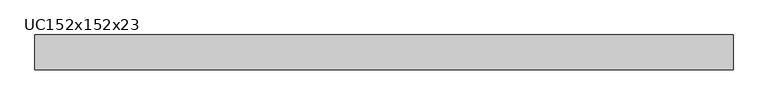
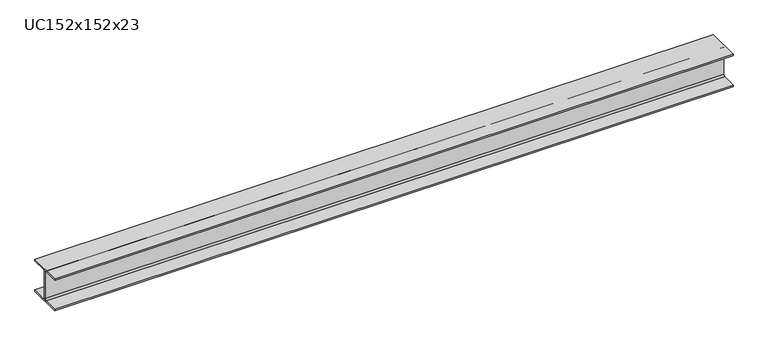
"""IFC4 building model written with IfcOpenShell, lengths in millimetres: beam geometry, UC152x152x23."""

import ifcopenshell
import ifcopenshell.guid

model = None  # the IFC model being written
_history = None  # IfcOwnerHistory: only IFC2X3 demands one
_inside = {}  # id of a spatial element -> (the spatial element, [elements in it])
_under = {}  # id of a project, library or spatial element -> (it, [spatial elements below it])
_declared = {}  # id of a project -> (the project, [libraries it declares])
_typed = {}  # id of a type object -> (the type object, [elements of that type])
_made_of = {}  # id of a material, layer set ... -> (it, [elements and type objects made of it])


def new_model(schema):
    """Start an empty IFC model of exactly this schema.

    Asked for "IFC4X3", IfcOpenShell would pick the latest addendum, in which some entities
    have other attributes; the version numbers below select the first issue.
    IFC2X3 requires an IfcOwnerHistory on every rooted entity: one is made here for all.
    """
    global model, _history
    if schema == "IFC4X3":
        model = ifcopenshell.file(schema_version=(4, 3, 0, 0))
    else:
        model = ifcopenshell.file(schema=schema)
    _inside.clear()
    _under.clear()
    _declared.clear()
    _typed.clear()
    _made_of.clear()
    _history = None
    if model.schema == "IFC2X3":
        org = make("IfcOrganization", Name="unknown")
        user = make(
            "IfcPersonAndOrganization",
            ThePerson=make("IfcPerson", FamilyName="unknown"),
            TheOrganization=org,
        )
        app = make(
            "IfcApplication",
            ApplicationDeveloper=org,
            Version="unknown",
            ApplicationFullName="unknown",
            ApplicationIdentifier="unknown",
        )
        _history = make(
            "IfcOwnerHistory",
            OwningUser=user,
            OwningApplication=app,
            ChangeAction="ADDED",
            CreationDate=0,
        )
    return model


def make(cls, **values):
    """One entity of the class cls with the attributes given. An attribute that is None is left unset."""
    return model.create_entity(
        cls, **{name: value for name, value in values.items() if value is not None}
    )


def rooted(cls, **values):
    """An entity with a GlobalId (a new one), such as an element, a storey or a relation."""
    return make(cls, GlobalId=ifcopenshell.guid.new(), OwnerHistory=_history, **values)


def si_unit(unit_type, name, prefix=None):
    """IfcSIUnit, for example si_unit("LENGTHUNIT", "METRE", prefix="MILLI")."""
    return make("IfcSIUnit", UnitType=unit_type, Prefix=prefix, Name=name)


def assignment(units):
    """IfcUnitAssignment: the units of a project."""
    return None if units is None else make("IfcUnitAssignment", Units=units)


def point(xyz):
    """IfcCartesianPoint."""
    return None if xyz is None else make("IfcCartesianPoint", Coordinates=xyz)


def direction(xyz):
    """IfcDirection."""
    return None if xyz is None else make("IfcDirection", DirectionRatios=xyz)


def frame(location, z_axis=None, x_axis=None):
    """IfcAxis2Placement3D, a coordinate frame: its origin and axes. An axis left out is left unset."""
    return make(
        "IfcAxis2Placement3D",
        Location=point(location),
        Axis=direction(z_axis),
        RefDirection=direction(x_axis),
    )


def frame_2d(location, x_axis=None):
    """IfcAxis2Placement2D, a coordinate frame in the plane: its origin and x axis."""
    return make(
        "IfcAxis2Placement2D", Location=point(location), RefDirection=direction(x_axis)
    )


def origin():
    """The frame at (0, 0, 0) with its axes left unset."""
    return frame((0.0, 0.0, 0.0))


def place(relative_to, where):
    """IfcLocalPlacement: puts the frame where relative to a parent placement (None: the world)."""
    return make(
        "IfcLocalPlacement", PlacementRelTo=relative_to, RelativePlacement=where
    )


def context(
    kind, dimensions, precision=None, world=None, true_north=None, identifier=None
):
    """IfcGeometricRepresentationContext, for example the 3D "Model" context."""
    return make(
        "IfcGeometricRepresentationContext",
        ContextIdentifier=identifier,
        ContextType=kind,
        CoordinateSpaceDimension=dimensions,
        Precision=precision,
        WorldCoordinateSystem=world,
        TrueNorth=true_north,
    )


def project(units=None, contexts=None):
    """IfcProject with its units and contexts."""
    return rooted(
        "IfcProject",
        Name="project",
        RepresentationContexts=contexts,
        UnitsInContext=assignment(units),
    )


def spatial(cls, under=None, at=None, **own):
    """A site, building, storey or space (cls), placed at a placement, below another one or the project."""
    s = rooted(cls, ObjectPlacement=at, **own)
    if under is not None:
        _under.setdefault(under.id(), (under, []))[1].append(s)
    return s


def polyline(points):
    """IfcPolyline through the points."""
    return make("IfcPolyline", Points=[point(p) for p in points])


def circle_curve(where, radius):
    """IfcCircle in the frame where."""
    return make("IfcCircle", Position=where, Radius=radius)


def trimmed(basis, trim1, trim2, sense, master):
    """IfcTrimmedCurve: the piece of a basis curve between two trims."""
    return make(
        "IfcTrimmedCurve",
        BasisCurve=basis,
        Trim1=trim1,
        Trim2=trim2,
        SenseAgreement=sense,
        MasterRepresentation=master,
    )


def segment(curve, same_sense, transition):
    """IfcCompositeCurveSegment."""
    return make(
        "IfcCompositeCurveSegment",
        Transition=transition,
        SameSense=same_sense,
        ParentCurve=curve,
    )


def composite_curve(segments, self_intersect=None):
    """IfcCompositeCurve: segments joined end to end."""
    return make("IfcCompositeCurve", Segments=segments, SelfIntersect=self_intersect)


def outline(outer, holes=None, kind="AREA"):
    """IfcArbitraryClosedProfileDef: a profile drawn as a closed curve; with holes, ...WithVoids."""
    if holes is None:
        return make("IfcArbitraryClosedProfileDef", ProfileType=kind, OuterCurve=outer)
    return make(
        "IfcArbitraryProfileDefWithVoids",
        ProfileType=kind,
        OuterCurve=outer,
        InnerCurves=holes,
    )


def extrude(swept, where, along, depth):
    """IfcExtrudedAreaSolid: the profile swept, set in the frame where, extruded along a direction by depth."""
    return make(
        "IfcExtrudedAreaSolid",
        SweptArea=swept,
        Position=where,
        ExtrudedDirection=direction(along),
        Depth=depth,
    )


def shape(context_of_items, identifier, shape_type, items):
    """IfcShapeRepresentation: the items that make up one representation, for example the "Body"."""
    return make(
        "IfcShapeRepresentation",
        ContextOfItems=context_of_items,
        RepresentationIdentifier=identifier,
        RepresentationType=shape_type,
        Items=items,
    )


def source(mapping_origin, context_of_items, identifier, shape_type, items):
    """IfcRepresentationMap: a shape defined once, which mapped items show again and again."""
    return make(
        "IfcRepresentationMap",
        MappingOrigin=mapping_origin,
        MappedRepresentation=shape(context_of_items, identifier, shape_type, items),
    )


def transform(
    local_origin,
    x_axis=None,
    y_axis=None,
    z_axis=None,
    scale=None,
    scale2=None,
    scale3=None,
    uniform=True,
):
    """IfcCartesianTransformationOperator3D, or its non-uniform kind. x_axis, y_axis, z_axis: its Axis1, 2, 3."""
    if uniform:
        return make(
            "IfcCartesianTransformationOperator3D",
            Axis1=direction(x_axis),
            Axis2=direction(y_axis),
            LocalOrigin=point(local_origin),
            Scale=scale,
            Axis3=direction(z_axis),
        )
    return make(
        "IfcCartesianTransformationOperator3DnonUniform",
        Axis1=direction(x_axis),
        Axis2=direction(y_axis),
        LocalOrigin=point(local_origin),
        Scale=scale,
        Axis3=direction(z_axis),
        Scale2=scale2,
        Scale3=scale3,
    )


def mapped(mapping_source, mapping_target):
    """IfcMappedItem: shows the shape of a source again, moved by a transform."""
    return make(
        "IfcMappedItem", MappingSource=mapping_source, MappingTarget=mapping_target
    )


def made_of(thing, what):
    """Note that an element or type object is made of a material, layer set ...; save() writes the relation."""
    if what is not None:
        _made_of.setdefault(what.id(), (what, []))[1].append(thing)
    return thing


def element(
    cls,
    number,
    at=None,
    inside=None,
    cuts=None,
    type_object=None,
    material=None,
    context=None,
    identifier="Body",
    shape_type=None,
    held_by="IfcProductDefinitionShape",
    body=None,
    shapes=None,
    **own,
):
    """One element of the class cls, such as IfcWall. Its Tag is "e" and its number.

    at: its placement. inside: the storey or other place that contains it. cuts: it is an
    opening in that element (IfcRelVoidsElement). A single representation is given by context,
    identifier, shape_type and body (its items); several are given by shapes. held_by: the class
    of the entity that holds the representations. save() writes the other relations.
    """
    e = rooted(cls, Tag="e%d" % number, ObjectPlacement=at, **own)
    if body is not None:
        shapes = [shape(context, identifier, shape_type, body)]
    if shapes is not None:
        e.Representation = make(held_by, Representations=shapes)
    if inside is not None:
        _inside.setdefault(inside.id(), (inside, []))[1].append(e)
    if cuts is not None:
        rooted(
            "IfcRelVoidsElement", RelatingBuildingElement=cuts, RelatedOpeningElement=e
        )
    if type_object is not None:
        _typed.setdefault(type_object.id(), (type_object, []))[1].append(e)
    return made_of(e, material)


def aggregate(whole, parts):
    """IfcRelAggregates: a whole, such as a stair, and the parts it consists of."""
    return rooted("IfcRelAggregates", RelatingObject=whole, RelatedObjects=parts)


def save(model, path):
    """Write the relations noted so far, then the file.

    IfcRelAggregates (storeys below a building ...), IfcRelContainedInSpatialStructure (elements
    in a storey), IfcRelDefinesByType, IfcRelAssociatesMaterial and IfcRelDeclares: one each for
    every whole, place, type object, material and project.
    """
    for whole, parts in _under.values():
        aggregate(whole, parts)
    for where, things in _inside.values():
        rooted(
            "IfcRelContainedInSpatialStructure",
            RelatedElements=things,
            RelatingStructure=where,
        )
    for kind, things in _typed.values():
        rooted("IfcRelDefinesByType", RelatedObjects=things, RelatingType=kind)
    for what, things in _made_of.values():
        rooted("IfcRelAssociatesMaterial", RelatedObjects=things, RelatingMaterial=what)
    for by, libraries in _declared.values():
        rooted("IfcRelDeclares", RelatingContext=by, RelatedDefinitions=libraries)
    model.write(path)


def uc152x152x23_cc952f01(model_context):
    return source(origin(), model_context, "Body", "SweptSolid", [
        extrude(outline(composite_curve([segment(polyline([(76.1, -69.4), (76.1, -76.2), (-76.1, -76.2), (-76.1, -69.4), (-10.5, -69.4)]), True, "CONTINUOUS"), segment(trimmed(circle_curve(frame_2d((-10.5, -61.8)), 7.6), [point((-10.5, -69.4))], [point((-2.9, -61.8))], True, "CARTESIAN"), True, "CONTINUOUS"), segment(polyline([(-2.9, -61.8), (-2.9, 61.8)]), True, "CONTINUOUS"), segment(trimmed(circle_curve(frame_2d((-10.5, 61.8)), 7.6), [point((-2.9, 61.8))], [point((-10.5, 69.4))], True, "CARTESIAN"), True, "CONTINUOUS"), segment(polyline([(-10.5, 69.4), (-76.1, 69.4), (-76.1, 76.2), (76.1, 76.2), (76.1, 69.4), (10.5, 69.4)]), True, "CONTINUOUS"), segment(trimmed(circle_curve(frame_2d((10.5, 61.8)), 7.6), [point((10.5, 69.4))], [point((2.9, 61.8))], True, "CARTESIAN"), True, "CONTINUOUS"), segment(polyline([(2.9, 61.8), (2.9, -61.8)]), True, "CONTINUOUS"), segment(trimmed(circle_curve(frame_2d((10.5, -61.8)), 7.6), [point((2.9, -61.8))], [point((10.5, -69.4))], True, "CARTESIAN"), True, "CONTINUOUS"), segment(polyline([(10.5, -69.4), (76.1, -69.4)]), True, "CONTINUOUS")], self_intersect=False)), frame((-1518.5, 0.0, 0.0), z_axis=(1.0, 0.0, 0.0), x_axis=(0.0, 1.0, 0.0)), (0.0, 0.0, 1.0), 3037.0),
    ])


if __name__ == "__main__":
    model = new_model("IFC4")
    model_context = context("Model", 3, world=origin())
    ifc_project = project(units=[si_unit("LENGTHUNIT", "METRE", prefix="MILLI")], contexts=[model_context])
    site = spatial("IfcSite", under=ifc_project)
    building = spatial("IfcBuilding", under=site)
    placement = place(None, origin())
    uc152x152x23_shape = uc152x152x23_cc952f01(model_context)
    element("IfcBeam", 1, ObjectType="UC152x152x23", at=placement, inside=building, context=model_context, shape_type="MappedRepresentation", body=[
        mapped(uc152x152x23_shape, transform((0.0, 0.0, 0.0), x_axis=(1.0, 0.0, 0.0), y_axis=(0.0, 1.0, 0.0), z_axis=(0.0, 0.0, 1.0))),
    ])
    save(model, "model.ifc")
